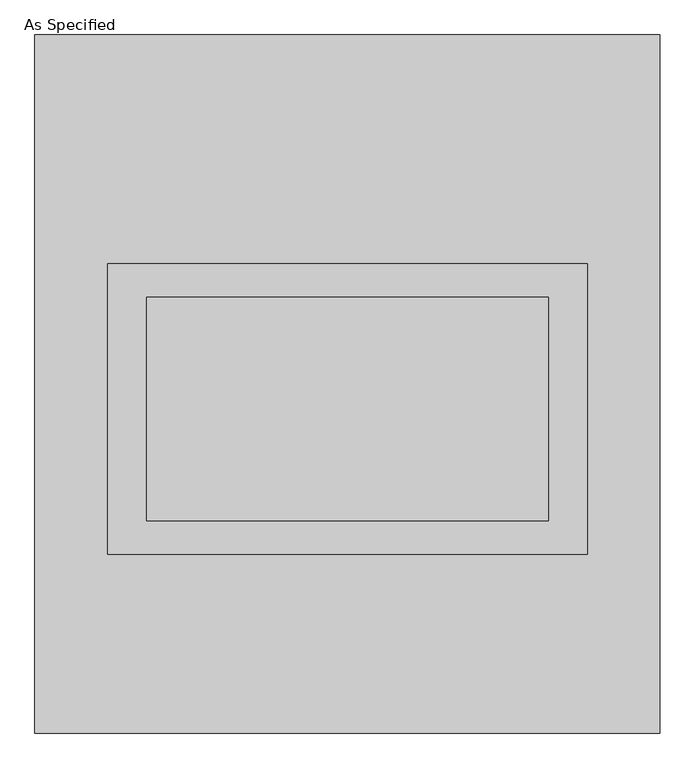
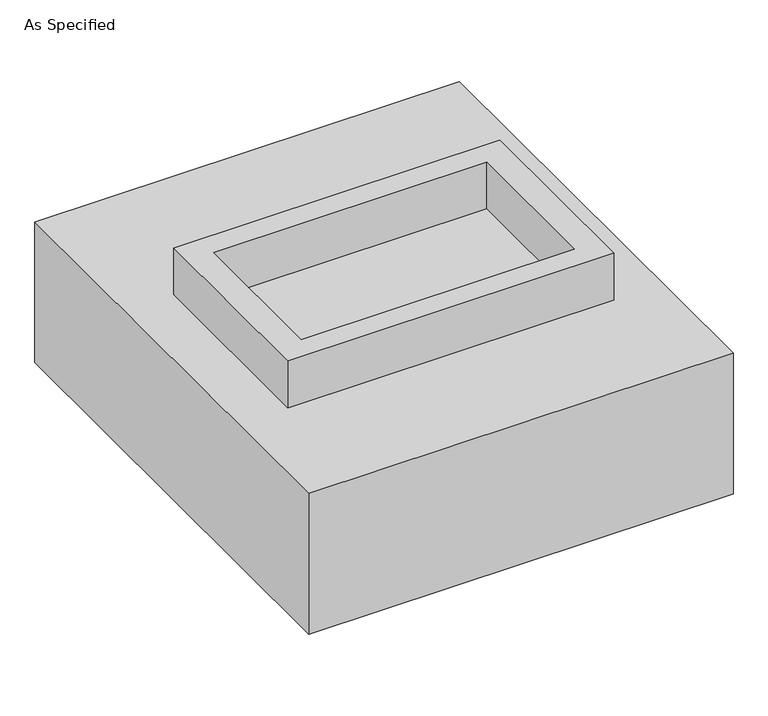
"""IFC4 building model written with IfcOpenShell, lengths in millimetres: proxy geometry, As Specified."""

from ifc_helpers import new_model, si_unit, frame, origin, place, context, project, spatial, polyline, outline, extrude, source, transform, mapped, element, save


def as_specified_8ab3fed5(model_context):
    return source(origin(), model_context, "Body", "SweptSolid", [
        extrude(outline(polyline([(546.1, 273.05), (546.1, -387.35), (-546.1, -387.35), (-546.1, 273.05), (546.1, 273.05)]), holes=[polyline([(457.2, 196.85), (-457.2, 196.85), (-457.2, -311.15), (457.2, -311.15), (457.2, 196.85)])]), frame((0.0, 0.0, -688.975), z_axis=(0.0, 0.0, 1.0), x_axis=(1.0, 0.0, 0.0)), (0.0, 0.0, 1.0), 165.1),
        extrude(outline(polyline([(546.1, 273.05), (546.1, -387.35), (-546.1, -387.35), (-546.1, 273.05), (546.1, 273.05)]), holes=[polyline([(457.2, 196.85), (-457.2, 196.85), (-457.2, -311.15), (457.2, -311.15), (457.2, 196.85)])]), frame((0.0, 0.0, -25.4), z_axis=(0.0, 0.0, 1.0), x_axis=(1.0, 0.0, 0.0)), (0.0, 0.0, 1.0), 165.1),
        extrude(outline(polyline([(457.2, 196.85), (457.2, -311.15), (-457.2, -311.15), (-457.2, 196.85), (457.2, 196.85)])), frame((0.0, 0.0, -523.875), z_axis=(0.0, 0.0, 1.0), x_axis=(1.0, 0.0, 0.0)), (0.0, 0.0, 1.0), 4.9609375),
        extrude(outline(polyline([(457.2, 196.85), (457.2, -311.15), (-457.2, -311.15), (-457.2, 196.85), (457.2, 196.85)])), frame((0.0, 0.0, -30.3609375), z_axis=(0.0, 0.0, 1.0), x_axis=(1.0, 0.0, 0.0)), (0.0, 0.0, 1.0), 4.9609375),
        extrude(outline(polyline([(711.2, -793.75), (-711.2, -793.75), (-711.2, 793.75), (711.2, 793.75), (711.2, -793.75)]), holes=[polyline([(-546.1, 273.05), (-546.1, -387.35), (546.1, -387.35), (546.1, 273.05), (-546.1, 273.05)])]), frame((0.0, 0.0, -523.875), z_axis=(0.0, 0.0, 1.0), x_axis=(1.0, 0.0, 0.0)), (0.0, 0.0, 1.0), 498.475),
    ])


if __name__ == "__main__":
    model = new_model("IFC4")
    model_context = context("Model", 3, world=origin())
    ifc_project = project(units=[si_unit("LENGTHUNIT", "METRE", prefix="MILLI")], contexts=[model_context])
    site = spatial("IfcSite", under=ifc_project)
    building = spatial("IfcBuilding", under=site)
    placement = place(None, origin())
    as_specified_shape = as_specified_8ab3fed5(model_context)
    element("IfcBuildingElementProxy", 1, Name="As Specified", ObjectType="As Specified", at=placement, inside=building, context=model_context, shape_type="MappedRepresentation", body=[
        mapped(as_specified_shape, transform((0.0, 0.0, 0.0), x_axis=(1.0, 0.0, 0.0), y_axis=(0.0, 1.0, 0.0), z_axis=(0.0, 0.0, 1.0))),
    ])
    save(model, "model.ifc")
